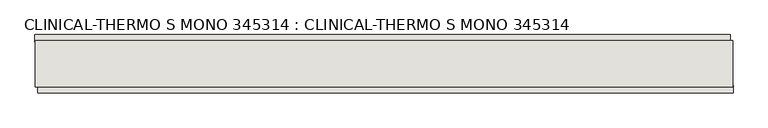
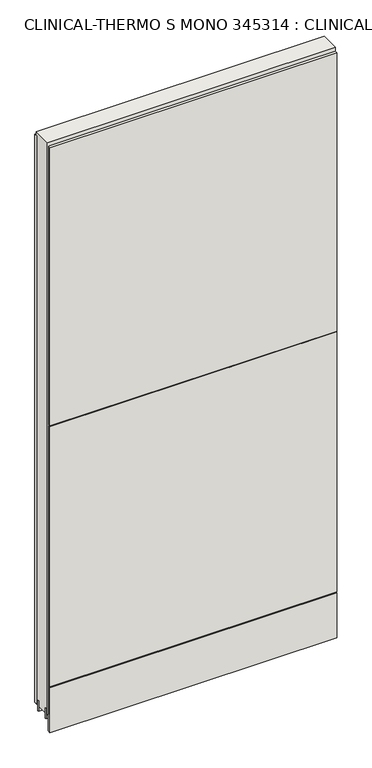
"""IFC4 building model written with IfcOpenShell, lengths in millimetres: wall geometry, CLINICAL-THERMO S MONO 345314 : CLINICAL-THERMO S MONO 345314."""

from ifc_helpers import new_model, si_unit, frame, origin, place, context, project, spatial, polyline, outline, extrude, source, transform, mapped, element, save


def clinical_thermo_s_mono_345314_clinical_thermo_s_mono_345314_f1deafb2(model_context):
    return source(origin(), model_context, "Body", "SweptSolid", [
        extrude(outline(polyline([(86736.5029046, -37797.5831042), (86733.9629046, -37797.5831042), (86733.9629046, -37795.0431042), (86736.5029046, -37795.0431042), (86736.5029046, -37797.5831042)])), frame((0.0, 0.0, 4419.6), z_axis=(0.0, 0.0, 1.0), x_axis=(1.0, 0.0, 0.0)), (0.0, 0.0, 1.0), 2.54),
        extrude(outline(polyline([(85516.8422756, -37745.5131042), (86732.0422836, -37745.5131042), (86732.0422836, -37758.2131042), (85516.8422756, -37758.2131042), (85516.8422756, -37745.5131042)])), frame((0.0, 0.0, 4445.0), z_axis=(0.0, 0.0, 1.0), x_axis=(1.0, 0.0, 0.0)), (0.0, 0.0, 1.0), 2545.0498756),
        extrude(outline(polyline([(86736.9660228, -37847.1131042), (85521.7660148, -37847.1131042), (85521.7660148, -37834.4131042), (86736.9660228, -37834.4131042), (86736.9660228, -37847.1131042)])), frame((0.0, 0.0, 4573.9999706), z_axis=(0.0, 0.0, 1.0), x_axis=(1.0, 0.0, 0.0)), (0.0, 0.0, 1.0), 1164.400008),
        extrude(outline(polyline([(86736.9660228, -37847.1131042), (85521.7660148, -37847.1131042), (85521.7660148, -37834.4131042), (86736.9660228, -37834.4131042), (86736.9660228, -37847.1131042)])), frame((0.0, 0.0, 5742.399869), z_axis=(0.0, 0.0, 1.0), x_axis=(1.0, 0.0, 0.0)), (0.0, 0.0, 1.0), 1247.649905),
        extrude(outline(polyline([(86736.9660228, -37847.1131042), (85521.7660148, -37847.1131042), (85521.7660148, -37834.4131042), (86736.9660228, -37834.4131042), (86736.9660228, -37847.1131042)])), frame((0.0, 0.0, 4368.1000014), z_axis=(0.0, 0.0, 1.0), x_axis=(1.0, 0.0, 0.0)), (0.0, 0.0, 1.0), 201.9000026),
        extrude(outline(polyline([(86736.5041492, -37771.223162), (85517.3041492, -37771.223162), (85517.3041492, -37766.1413078), (86736.5041492, -37766.1413078), (86736.5041492, -37771.223162)])), frame((0.0, 0.0, 4418.6602), z_axis=(0.0, 0.0, 1.0), x_axis=(1.0, 0.0, 0.0)), (0.0, 0.0, 1.0), 47.625),
        extrude(outline(polyline([(86736.5041492, -37771.223162), (85517.3041492, -37771.223162), (85517.3041492, -37766.1413078), (86736.5041492, -37766.1413078), (86736.5041492, -37771.223162)])), frame((0.0, 0.0, 4418.6602), z_axis=(0.0, 0.0, 1.0), x_axis=(1.0, 0.0, 0.0)), (0.0, 0.0, 1.0), 47.625),
        extrude(outline(polyline([(85517.3041492, -37821.3875524), (86736.5041492, -37821.3875524), (86736.5041492, -37826.4663078), (85517.3041492, -37826.4663078), (85517.3041492, -37821.3875524)])), frame((0.0, 0.0, 4418.6602), z_axis=(0.0, 0.0, 1.0), x_axis=(1.0, 0.0, 0.0)), (0.0, 0.0, 1.0), 47.625),
        extrude(outline(polyline([(85517.3041492, -37821.3875524), (86736.5041492, -37821.3875524), (86736.5041492, -37826.4663078), (85517.3041492, -37826.4663078), (85517.3041492, -37821.3875524)])), frame((0.0, 0.0, 4418.6602), z_axis=(0.0, 0.0, 1.0), x_axis=(1.0, 0.0, 0.0)), (0.0, 0.0, 1.0), 47.625),
        extrude(outline(polyline([(86736.5041492, -37755.676838), (86736.5041492, -37836.9586922), (85517.3041492, -37836.9586922), (85517.3041492, -37755.676838), (86736.5041492, -37755.676838)])), frame((0.0, 0.0, 4445.0), z_axis=(0.0, 0.0, 1.0), x_axis=(1.0, 0.0, 0.0)), (0.0, 0.0, 1.0), 2562.4536762),
    ])


if __name__ == "__main__":
    model = new_model("IFC4")
    model_context = context("Model", 3, world=origin())
    ifc_project = project(units=[si_unit("LENGTHUNIT", "METRE", prefix="MILLI")], contexts=[model_context])
    site = spatial("IfcSite", under=ifc_project)
    building = spatial("IfcBuilding", under=site)
    placement = place(None, origin())
    clinical_thermo_s_mono_345314_clinical_thermo_s_mono_345314_shape = clinical_thermo_s_mono_345314_clinical_thermo_s_mono_345314_f1deafb2(model_context)
    element("IfcWall", 1, ObjectType="CLINICAL-THERMO S MONO 345314 : CLINICAL-THERMO S MONO 345314", at=placement, inside=building, context=model_context, shape_type="MappedRepresentation", body=[
        mapped(clinical_thermo_s_mono_345314_clinical_thermo_s_mono_345314_shape, transform((0.0, 0.0, 0.0), x_axis=(1.0, 0.0, 0.0), y_axis=(0.0, 1.0, 0.0), z_axis=(0.0, 0.0, 1.0))),
    ])
    save(model, "model.ifc")
